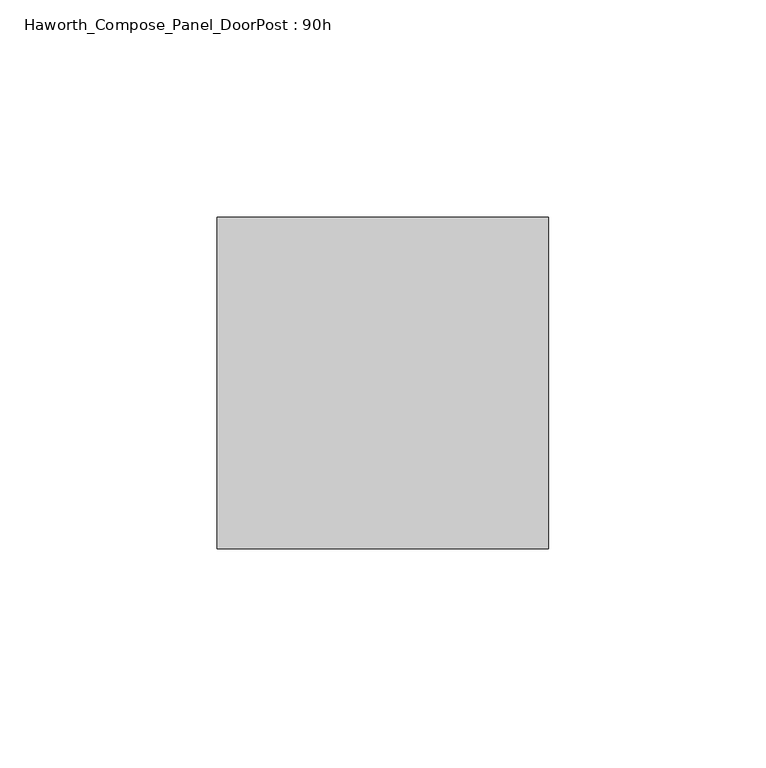
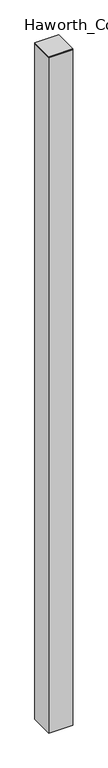
"""IFC4 building model written with IfcOpenShell, lengths in millimetres: furniture geometry, Haworth_Compose_Panel_DoorPost : 90h."""

import ifcopenshell
import ifcopenshell.guid

model = None  # the IFC model being written
_history = None  # IfcOwnerHistory: only IFC2X3 demands one
_inside = {}  # id of a spatial element -> (the spatial element, [elements in it])
_under = {}  # id of a project, library or spatial element -> (it, [spatial elements below it])
_declared = {}  # id of a project -> (the project, [libraries it declares])
_typed = {}  # id of a type object -> (the type object, [elements of that type])
_made_of = {}  # id of a material, layer set ... -> (it, [elements and type objects made of it])


def new_model(schema):
    """Start an empty IFC model of exactly this schema.

    Asked for "IFC4X3", IfcOpenShell would pick the latest addendum, in which some entities
    have other attributes; the version numbers below select the first issue.
    IFC2X3 requires an IfcOwnerHistory on every rooted entity: one is made here for all.
    """
    global model, _history
    if schema == "IFC4X3":
        model = ifcopenshell.file(schema_version=(4, 3, 0, 0))
    else:
        model = ifcopenshell.file(schema=schema)
    _inside.clear()
    _under.clear()
    _declared.clear()
    _typed.clear()
    _made_of.clear()
    _history = None
    if model.schema == "IFC2X3":
        org = make("IfcOrganization", Name="unknown")
        user = make(
            "IfcPersonAndOrganization",
            ThePerson=make("IfcPerson", FamilyName="unknown"),
            TheOrganization=org,
        )
        app = make(
            "IfcApplication",
            ApplicationDeveloper=org,
            Version="unknown",
            ApplicationFullName="unknown",
            ApplicationIdentifier="unknown",
        )
        _history = make(
            "IfcOwnerHistory",
            OwningUser=user,
            OwningApplication=app,
            ChangeAction="ADDED",
            CreationDate=0,
        )
    return model


def make(cls, **values):
    """One entity of the class cls with the attributes given. An attribute that is None is left unset."""
    return model.create_entity(
        cls, **{name: value for name, value in values.items() if value is not None}
    )


def rooted(cls, **values):
    """An entity with a GlobalId (a new one), such as an element, a storey or a relation."""
    return make(cls, GlobalId=ifcopenshell.guid.new(), OwnerHistory=_history, **values)


def si_unit(unit_type, name, prefix=None):
    """IfcSIUnit, for example si_unit("LENGTHUNIT", "METRE", prefix="MILLI")."""
    return make("IfcSIUnit", UnitType=unit_type, Prefix=prefix, Name=name)


def assignment(units):
    """IfcUnitAssignment: the units of a project."""
    return None if units is None else make("IfcUnitAssignment", Units=units)


def point(xyz):
    """IfcCartesianPoint."""
    return None if xyz is None else make("IfcCartesianPoint", Coordinates=xyz)


def direction(xyz):
    """IfcDirection."""
    return None if xyz is None else make("IfcDirection", DirectionRatios=xyz)


def frame(location, z_axis=None, x_axis=None):
    """IfcAxis2Placement3D, a coordinate frame: its origin and axes. An axis left out is left unset."""
    return make(
        "IfcAxis2Placement3D",
        Location=point(location),
        Axis=direction(z_axis),
        RefDirection=direction(x_axis),
    )


def origin():
    """The frame at (0, 0, 0) with its axes left unset."""
    return frame((0.0, 0.0, 0.0))


def place(relative_to, where):
    """IfcLocalPlacement: puts the frame where relative to a parent placement (None: the world)."""
    return make(
        "IfcLocalPlacement", PlacementRelTo=relative_to, RelativePlacement=where
    )


def context(
    kind, dimensions, precision=None, world=None, true_north=None, identifier=None
):
    """IfcGeometricRepresentationContext, for example the 3D "Model" context."""
    return make(
        "IfcGeometricRepresentationContext",
        ContextIdentifier=identifier,
        ContextType=kind,
        CoordinateSpaceDimension=dimensions,
        Precision=precision,
        WorldCoordinateSystem=world,
        TrueNorth=true_north,
    )


def project(units=None, contexts=None):
    """IfcProject with its units and contexts."""
    return rooted(
        "IfcProject",
        Name="project",
        RepresentationContexts=contexts,
        UnitsInContext=assignment(units),
    )


def spatial(cls, under=None, at=None, **own):
    """A site, building, storey or space (cls), placed at a placement, below another one or the project."""
    s = rooted(cls, ObjectPlacement=at, **own)
    if under is not None:
        _under.setdefault(under.id(), (under, []))[1].append(s)
    return s


def polyline(points):
    """IfcPolyline through the points."""
    return make("IfcPolyline", Points=[point(p) for p in points])


def outline(outer, holes=None, kind="AREA"):
    """IfcArbitraryClosedProfileDef: a profile drawn as a closed curve; with holes, ...WithVoids."""
    if holes is None:
        return make("IfcArbitraryClosedProfileDef", ProfileType=kind, OuterCurve=outer)
    return make(
        "IfcArbitraryProfileDefWithVoids",
        ProfileType=kind,
        OuterCurve=outer,
        InnerCurves=holes,
    )


def extrude(swept, where, along, depth):
    """IfcExtrudedAreaSolid: the profile swept, set in the frame where, extruded along a direction by depth."""
    return make(
        "IfcExtrudedAreaSolid",
        SweptArea=swept,
        Position=where,
        ExtrudedDirection=direction(along),
        Depth=depth,
    )


def shape(context_of_items, identifier, shape_type, items):
    """IfcShapeRepresentation: the items that make up one representation, for example the "Body"."""
    return make(
        "IfcShapeRepresentation",
        ContextOfItems=context_of_items,
        RepresentationIdentifier=identifier,
        RepresentationType=shape_type,
        Items=items,
    )


def source(mapping_origin, context_of_items, identifier, shape_type, items):
    """IfcRepresentationMap: a shape defined once, which mapped items show again and again."""
    return make(
        "IfcRepresentationMap",
        MappingOrigin=mapping_origin,
        MappedRepresentation=shape(context_of_items, identifier, shape_type, items),
    )


def transform(
    local_origin,
    x_axis=None,
    y_axis=None,
    z_axis=None,
    scale=None,
    scale2=None,
    scale3=None,
    uniform=True,
):
    """IfcCartesianTransformationOperator3D, or its non-uniform kind. x_axis, y_axis, z_axis: its Axis1, 2, 3."""
    if uniform:
        return make(
            "IfcCartesianTransformationOperator3D",
            Axis1=direction(x_axis),
            Axis2=direction(y_axis),
            LocalOrigin=point(local_origin),
            Scale=scale,
            Axis3=direction(z_axis),
        )
    return make(
        "IfcCartesianTransformationOperator3DnonUniform",
        Axis1=direction(x_axis),
        Axis2=direction(y_axis),
        LocalOrigin=point(local_origin),
        Scale=scale,
        Axis3=direction(z_axis),
        Scale2=scale2,
        Scale3=scale3,
    )


def mapped(mapping_source, mapping_target):
    """IfcMappedItem: shows the shape of a source again, moved by a transform."""
    return make(
        "IfcMappedItem", MappingSource=mapping_source, MappingTarget=mapping_target
    )


def made_of(thing, what):
    """Note that an element or type object is made of a material, layer set ...; save() writes the relation."""
    if what is not None:
        _made_of.setdefault(what.id(), (what, []))[1].append(thing)
    return thing


def element(
    cls,
    number,
    at=None,
    inside=None,
    cuts=None,
    type_object=None,
    material=None,
    context=None,
    identifier="Body",
    shape_type=None,
    held_by="IfcProductDefinitionShape",
    body=None,
    shapes=None,
    **own,
):
    """One element of the class cls, such as IfcWall. Its Tag is "e" and its number.

    at: its placement. inside: the storey or other place that contains it. cuts: it is an
    opening in that element (IfcRelVoidsElement). A single representation is given by context,
    identifier, shape_type and body (its items); several are given by shapes. held_by: the class
    of the entity that holds the representations. save() writes the other relations.
    """
    e = rooted(cls, Tag="e%d" % number, ObjectPlacement=at, **own)
    if body is not None:
        shapes = [shape(context, identifier, shape_type, body)]
    if shapes is not None:
        e.Representation = make(held_by, Representations=shapes)
    if inside is not None:
        _inside.setdefault(inside.id(), (inside, []))[1].append(e)
    if cuts is not None:
        rooted(
            "IfcRelVoidsElement", RelatingBuildingElement=cuts, RelatedOpeningElement=e
        )
    if type_object is not None:
        _typed.setdefault(type_object.id(), (type_object, []))[1].append(e)
    return made_of(e, material)


def aggregate(whole, parts):
    """IfcRelAggregates: a whole, such as a stair, and the parts it consists of."""
    return rooted("IfcRelAggregates", RelatingObject=whole, RelatedObjects=parts)


def save(model, path):
    """Write the relations noted so far, then the file.

    IfcRelAggregates (storeys below a building ...), IfcRelContainedInSpatialStructure (elements
    in a storey), IfcRelDefinesByType, IfcRelAssociatesMaterial and IfcRelDeclares: one each for
    every whole, place, type object, material and project.
    """
    for whole, parts in _under.values():
        aggregate(whole, parts)
    for where, things in _inside.values():
        rooted(
            "IfcRelContainedInSpatialStructure",
            RelatedElements=things,
            RelatingStructure=where,
        )
    for kind, things in _typed.values():
        rooted("IfcRelDefinesByType", RelatedObjects=things, RelatingType=kind)
    for what, things in _made_of.values():
        rooted("IfcRelAssociatesMaterial", RelatedObjects=things, RelatingMaterial=what)
    for by, libraries in _declared.values():
        rooted("IfcRelDeclares", RelatingContext=by, RelatedDefinitions=libraries)
    model.write(path)


def haworth_compose_panel_doorpost_90h_d286c4a0(model_context):
    return source(origin(), model_context, "Body", "SweptSolid", [
        extrude(outline(polyline([(76.2, 38.1), (76.2, -38.1), (0.0, -38.1), (0.0, 38.1), (76.2, 38.1)])), frame((0.0, 0.0, 12.7), z_axis=(0.0, 0.0, 1.0), x_axis=(1.0, 0.0, 0.0)), (0.0, 0.0, 1.0), 2266.95),
        extrude(outline(polyline([(0.0, 38.1), (76.2, 38.1), (76.2, -38.1), (0.0, -38.1), (0.0, 38.1)])), frame((0.0, 0.0, 2279.65), z_axis=(0.0, 0.0, 1.0), x_axis=(1.0, 0.0, 0.0)), (0.0, 0.0, 1.0), 3.175),
    ])


if __name__ == "__main__":
    model = new_model("IFC4")
    model_context = context("Model", 3, world=origin())
    ifc_project = project(units=[si_unit("LENGTHUNIT", "METRE", prefix="MILLI")], contexts=[model_context])
    site = spatial("IfcSite", under=ifc_project)
    building = spatial("IfcBuilding", under=site)
    placement = place(None, origin())
    haworth_compose_panel_doorpost_90h_shape = haworth_compose_panel_doorpost_90h_d286c4a0(model_context)
    element("IfcFurniture", 1, ObjectType="Haworth_Compose_Panel_DoorPost : 90h", at=placement, inside=building, context=model_context, shape_type="MappedRepresentation", body=[
        mapped(haworth_compose_panel_doorpost_90h_shape, transform((0.0, 0.0, 0.0), x_axis=(1.0, 0.0, 0.0), y_axis=(0.0, 1.0, 0.0), z_axis=(0.0, 0.0, 1.0))),
    ])
    save(model, "model.ifc")
